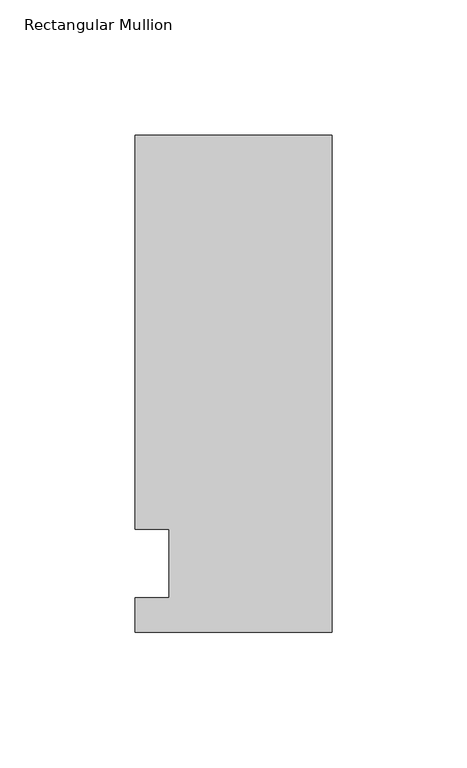
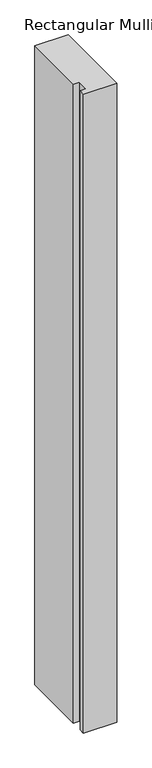
"""IFC4 building model written with IfcOpenShell, lengths in millimetres: member geometry, Rectangular Mullion."""

import ifcopenshell
import ifcopenshell.guid

model = None  # the IFC model being written
_history = None  # IfcOwnerHistory: only IFC2X3 demands one
_inside = {}  # id of a spatial element -> (the spatial element, [elements in it])
_under = {}  # id of a project, library or spatial element -> (it, [spatial elements below it])
_declared = {}  # id of a project -> (the project, [libraries it declares])
_typed = {}  # id of a type object -> (the type object, [elements of that type])
_made_of = {}  # id of a material, layer set ... -> (it, [elements and type objects made of it])


def new_model(schema):
    """Start an empty IFC model of exactly this schema.

    Asked for "IFC4X3", IfcOpenShell would pick the latest addendum, in which some entities
    have other attributes; the version numbers below select the first issue.
    IFC2X3 requires an IfcOwnerHistory on every rooted entity: one is made here for all.
    """
    global model, _history
    if schema == "IFC4X3":
        model = ifcopenshell.file(schema_version=(4, 3, 0, 0))
    else:
        model = ifcopenshell.file(schema=schema)
    _inside.clear()
    _under.clear()
    _declared.clear()
    _typed.clear()
    _made_of.clear()
    _history = None
    if model.schema == "IFC2X3":
        org = make("IfcOrganization", Name="unknown")
        user = make(
            "IfcPersonAndOrganization",
            ThePerson=make("IfcPerson", FamilyName="unknown"),
            TheOrganization=org,
        )
        app = make(
            "IfcApplication",
            ApplicationDeveloper=org,
            Version="unknown",
            ApplicationFullName="unknown",
            ApplicationIdentifier="unknown",
        )
        _history = make(
            "IfcOwnerHistory",
            OwningUser=user,
            OwningApplication=app,
            ChangeAction="ADDED",
            CreationDate=0,
        )
    return model


def make(cls, **values):
    """One entity of the class cls with the attributes given. An attribute that is None is left unset."""
    return model.create_entity(
        cls, **{name: value for name, value in values.items() if value is not None}
    )


def rooted(cls, **values):
    """An entity with a GlobalId (a new one), such as an element, a storey or a relation."""
    return make(cls, GlobalId=ifcopenshell.guid.new(), OwnerHistory=_history, **values)


def si_unit(unit_type, name, prefix=None):
    """IfcSIUnit, for example si_unit("LENGTHUNIT", "METRE", prefix="MILLI")."""
    return make("IfcSIUnit", UnitType=unit_type, Prefix=prefix, Name=name)


def assignment(units):
    """IfcUnitAssignment: the units of a project."""
    return None if units is None else make("IfcUnitAssignment", Units=units)


def point(xyz):
    """IfcCartesianPoint."""
    return None if xyz is None else make("IfcCartesianPoint", Coordinates=xyz)


def direction(xyz):
    """IfcDirection."""
    return None if xyz is None else make("IfcDirection", DirectionRatios=xyz)


def frame(location, z_axis=None, x_axis=None):
    """IfcAxis2Placement3D, a coordinate frame: its origin and axes. An axis left out is left unset."""
    return make(
        "IfcAxis2Placement3D",
        Location=point(location),
        Axis=direction(z_axis),
        RefDirection=direction(x_axis),
    )


def origin():
    """The frame at (0, 0, 0) with its axes left unset."""
    return frame((0.0, 0.0, 0.0))


def place(relative_to, where):
    """IfcLocalPlacement: puts the frame where relative to a parent placement (None: the world)."""
    return make(
        "IfcLocalPlacement", PlacementRelTo=relative_to, RelativePlacement=where
    )


def context(
    kind, dimensions, precision=None, world=None, true_north=None, identifier=None
):
    """IfcGeometricRepresentationContext, for example the 3D "Model" context."""
    return make(
        "IfcGeometricRepresentationContext",
        ContextIdentifier=identifier,
        ContextType=kind,
        CoordinateSpaceDimension=dimensions,
        Precision=precision,
        WorldCoordinateSystem=world,
        TrueNorth=true_north,
    )


def project(units=None, contexts=None):
    """IfcProject with its units and contexts."""
    return rooted(
        "IfcProject",
        Name="project",
        RepresentationContexts=contexts,
        UnitsInContext=assignment(units),
    )


def spatial(cls, under=None, at=None, **own):
    """A site, building, storey or space (cls), placed at a placement, below another one or the project."""
    s = rooted(cls, ObjectPlacement=at, **own)
    if under is not None:
        _under.setdefault(under.id(), (under, []))[1].append(s)
    return s


def polyline(points):
    """IfcPolyline through the points."""
    return make("IfcPolyline", Points=[point(p) for p in points])


def outline(outer, holes=None, kind="AREA"):
    """IfcArbitraryClosedProfileDef: a profile drawn as a closed curve; with holes, ...WithVoids."""
    if holes is None:
        return make("IfcArbitraryClosedProfileDef", ProfileType=kind, OuterCurve=outer)
    return make(
        "IfcArbitraryProfileDefWithVoids",
        ProfileType=kind,
        OuterCurve=outer,
        InnerCurves=holes,
    )


def extrude(swept, where, along, depth):
    """IfcExtrudedAreaSolid: the profile swept, set in the frame where, extruded along a direction by depth."""
    return make(
        "IfcExtrudedAreaSolid",
        SweptArea=swept,
        Position=where,
        ExtrudedDirection=direction(along),
        Depth=depth,
    )


def shape(context_of_items, identifier, shape_type, items):
    """IfcShapeRepresentation: the items that make up one representation, for example the "Body"."""
    return make(
        "IfcShapeRepresentation",
        ContextOfItems=context_of_items,
        RepresentationIdentifier=identifier,
        RepresentationType=shape_type,
        Items=items,
    )


def source(mapping_origin, context_of_items, identifier, shape_type, items):
    """IfcRepresentationMap: a shape defined once, which mapped items show again and again."""
    return make(
        "IfcRepresentationMap",
        MappingOrigin=mapping_origin,
        MappedRepresentation=shape(context_of_items, identifier, shape_type, items),
    )


def transform(
    local_origin,
    x_axis=None,
    y_axis=None,
    z_axis=None,
    scale=None,
    scale2=None,
    scale3=None,
    uniform=True,
):
    """IfcCartesianTransformationOperator3D, or its non-uniform kind. x_axis, y_axis, z_axis: its Axis1, 2, 3."""
    if uniform:
        return make(
            "IfcCartesianTransformationOperator3D",
            Axis1=direction(x_axis),
            Axis2=direction(y_axis),
            LocalOrigin=point(local_origin),
            Scale=scale,
            Axis3=direction(z_axis),
        )
    return make(
        "IfcCartesianTransformationOperator3DnonUniform",
        Axis1=direction(x_axis),
        Axis2=direction(y_axis),
        LocalOrigin=point(local_origin),
        Scale=scale,
        Axis3=direction(z_axis),
        Scale2=scale2,
        Scale3=scale3,
    )


def mapped(mapping_source, mapping_target):
    """IfcMappedItem: shows the shape of a source again, moved by a transform."""
    return make(
        "IfcMappedItem", MappingSource=mapping_source, MappingTarget=mapping_target
    )


def made_of(thing, what):
    """Note that an element or type object is made of a material, layer set ...; save() writes the relation."""
    if what is not None:
        _made_of.setdefault(what.id(), (what, []))[1].append(thing)
    return thing


def element(
    cls,
    number,
    at=None,
    inside=None,
    cuts=None,
    type_object=None,
    material=None,
    context=None,
    identifier="Body",
    shape_type=None,
    held_by="IfcProductDefinitionShape",
    body=None,
    shapes=None,
    **own,
):
    """One element of the class cls, such as IfcWall. Its Tag is "e" and its number.

    at: its placement. inside: the storey or other place that contains it. cuts: it is an
    opening in that element (IfcRelVoidsElement). A single representation is given by context,
    identifier, shape_type and body (its items); several are given by shapes. held_by: the class
    of the entity that holds the representations. save() writes the other relations.
    """
    e = rooted(cls, Tag="e%d" % number, ObjectPlacement=at, **own)
    if body is not None:
        shapes = [shape(context, identifier, shape_type, body)]
    if shapes is not None:
        e.Representation = make(held_by, Representations=shapes)
    if inside is not None:
        _inside.setdefault(inside.id(), (inside, []))[1].append(e)
    if cuts is not None:
        rooted(
            "IfcRelVoidsElement", RelatingBuildingElement=cuts, RelatedOpeningElement=e
        )
    if type_object is not None:
        _typed.setdefault(type_object.id(), (type_object, []))[1].append(e)
    return made_of(e, material)


def aggregate(whole, parts):
    """IfcRelAggregates: a whole, such as a stair, and the parts it consists of."""
    return rooted("IfcRelAggregates", RelatingObject=whole, RelatedObjects=parts)


def save(model, path):
    """Write the relations noted so far, then the file.

    IfcRelAggregates (storeys below a building ...), IfcRelContainedInSpatialStructure (elements
    in a storey), IfcRelDefinesByType, IfcRelAssociatesMaterial and IfcRelDeclares: one each for
    every whole, place, type object, material and project.
    """
    for whole, parts in _under.values():
        aggregate(whole, parts)
    for where, things in _inside.values():
        rooted(
            "IfcRelContainedInSpatialStructure",
            RelatedElements=things,
            RelatingStructure=where,
        )
    for kind, things in _typed.values():
        rooted("IfcRelDefinesByType", RelatedObjects=things, RelatingType=kind)
    for what, things in _made_of.values():
        rooted("IfcRelAssociatesMaterial", RelatedObjects=things, RelatingMaterial=what)
    for by, libraries in _declared.values():
        rooted("IfcRelDeclares", RelatingContext=by, RelatedDefinitions=libraries)
    model.write(path)


def rectangular_mullion_4d91e09f(model_context):
    return source(origin(), model_context, "Body", "SweptSolid", [
        extrude(outline(polyline([(-73.025, 158.75), (0.0, 158.75), (0.0, -25.4), (-73.025, -25.4), (-73.025, -12.7), (-60.3232296, -12.7), (-60.3232296, 12.7), (-73.025, 12.7), (-73.025, 158.75)])), frame((0.0, 0.0, -1478.28), z_axis=(0.0, 0.0, 1.0), x_axis=(1.0, 0.0, 0.0)), (0.0, 0.0, 1.0), 1478.28),
    ])


if __name__ == "__main__":
    model = new_model("IFC4")
    model_context = context("Model", 3, world=origin())
    ifc_project = project(units=[si_unit("LENGTHUNIT", "METRE", prefix="MILLI")], contexts=[model_context])
    site = spatial("IfcSite", under=ifc_project)
    building = spatial("IfcBuilding", under=site)
    placement = place(None, origin())
    rectangular_mullion_shape = rectangular_mullion_4d91e09f(model_context)
    element("IfcMember", 1, ObjectType="Rectangular Mullion", at=placement, inside=building, context=model_context, shape_type="MappedRepresentation", body=[
        mapped(rectangular_mullion_shape, transform((0.0, 0.0, 0.0), x_axis=(1.0, 0.0, 0.0), y_axis=(0.0, 1.0, 0.0), z_axis=(0.0, 0.0, 1.0))),
    ])
    save(model, "model.ifc")
